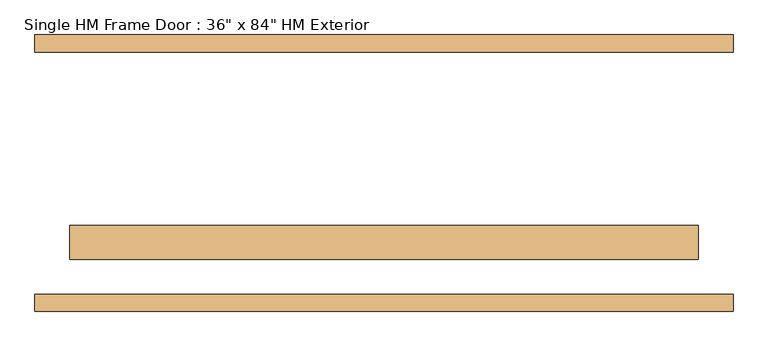
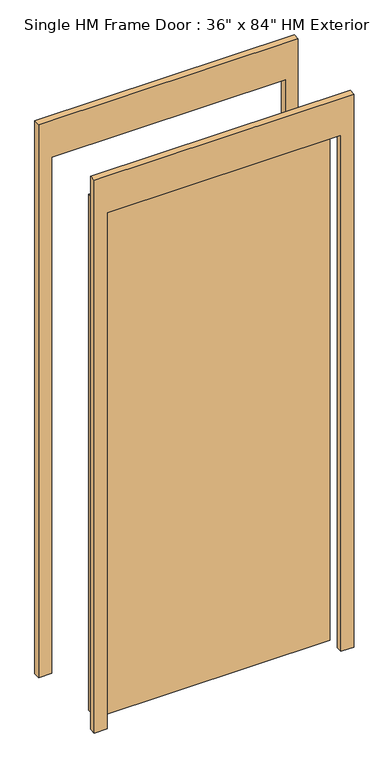
"""IFC4 building model written with IfcOpenShell, lengths in millimetres: door geometry."""

import ifcopenshell
import ifcopenshell.guid

model = None  # the IFC model being written
_history = None  # IfcOwnerHistory: only IFC2X3 demands one
_inside = {}  # id of a spatial element -> (the spatial element, [elements in it])
_under = {}  # id of a project, library or spatial element -> (it, [spatial elements below it])
_declared = {}  # id of a project -> (the project, [libraries it declares])
_typed = {}  # id of a type object -> (the type object, [elements of that type])
_made_of = {}  # id of a material, layer set ... -> (it, [elements and type objects made of it])


def new_model(schema):
    """Start an empty IFC model of exactly this schema.

    Asked for "IFC4X3", IfcOpenShell would pick the latest addendum, in which some entities
    have other attributes; the version numbers below select the first issue.
    IFC2X3 requires an IfcOwnerHistory on every rooted entity: one is made here for all.
    """
    global model, _history
    if schema == "IFC4X3":
        model = ifcopenshell.file(schema_version=(4, 3, 0, 0))
    else:
        model = ifcopenshell.file(schema=schema)
    _inside.clear()
    _under.clear()
    _declared.clear()
    _typed.clear()
    _made_of.clear()
    _history = None
    if model.schema == "IFC2X3":
        org = make("IfcOrganization", Name="unknown")
        user = make(
            "IfcPersonAndOrganization",
            ThePerson=make("IfcPerson", FamilyName="unknown"),
            TheOrganization=org,
        )
        app = make(
            "IfcApplication",
            ApplicationDeveloper=org,
            Version="unknown",
            ApplicationFullName="unknown",
            ApplicationIdentifier="unknown",
        )
        _history = make(
            "IfcOwnerHistory",
            OwningUser=user,
            OwningApplication=app,
            ChangeAction="ADDED",
            CreationDate=0,
        )
    return model


def make(cls, **values):
    """One entity of the class cls with the attributes given. An attribute that is None is left unset."""
    return model.create_entity(
        cls, **{name: value for name, value in values.items() if value is not None}
    )


def rooted(cls, **values):
    """An entity with a GlobalId (a new one), such as an element, a storey or a relation."""
    return make(cls, GlobalId=ifcopenshell.guid.new(), OwnerHistory=_history, **values)


def si_unit(unit_type, name, prefix=None):
    """IfcSIUnit, for example si_unit("LENGTHUNIT", "METRE", prefix="MILLI")."""
    return make("IfcSIUnit", UnitType=unit_type, Prefix=prefix, Name=name)


def assignment(units):
    """IfcUnitAssignment: the units of a project."""
    return None if units is None else make("IfcUnitAssignment", Units=units)


def point(xyz):
    """IfcCartesianPoint."""
    return None if xyz is None else make("IfcCartesianPoint", Coordinates=xyz)


def direction(xyz):
    """IfcDirection."""
    return None if xyz is None else make("IfcDirection", DirectionRatios=xyz)


def frame(location, z_axis=None, x_axis=None):
    """IfcAxis2Placement3D, a coordinate frame: its origin and axes. An axis left out is left unset."""
    return make(
        "IfcAxis2Placement3D",
        Location=point(location),
        Axis=direction(z_axis),
        RefDirection=direction(x_axis),
    )


def origin():
    """The frame at (0, 0, 0) with its axes left unset."""
    return frame((0.0, 0.0, 0.0))


def origin_with_axes():
    """The frame at (0, 0, 0) with the z axis (0, 0, 1) and the x axis (1, 0, 0) written out."""
    return frame((0.0, 0.0, 0.0), z_axis=(0.0, 0.0, 1.0), x_axis=(1.0, 0.0, 0.0))


def place(relative_to, where):
    """IfcLocalPlacement: puts the frame where relative to a parent placement (None: the world)."""
    return make(
        "IfcLocalPlacement", PlacementRelTo=relative_to, RelativePlacement=where
    )


def context(
    kind, dimensions, precision=None, world=None, true_north=None, identifier=None
):
    """IfcGeometricRepresentationContext, for example the 3D "Model" context."""
    return make(
        "IfcGeometricRepresentationContext",
        ContextIdentifier=identifier,
        ContextType=kind,
        CoordinateSpaceDimension=dimensions,
        Precision=precision,
        WorldCoordinateSystem=world,
        TrueNorth=true_north,
    )


def project(units=None, contexts=None):
    """IfcProject with its units and contexts."""
    return rooted(
        "IfcProject",
        Name="project",
        RepresentationContexts=contexts,
        UnitsInContext=assignment(units),
    )


def spatial(cls, under=None, at=None, **own):
    """A site, building, storey or space (cls), placed at a placement, below another one or the project."""
    s = rooted(cls, ObjectPlacement=at, **own)
    if under is not None:
        _under.setdefault(under.id(), (under, []))[1].append(s)
    return s


def polyline(points):
    """IfcPolyline through the points."""
    return make("IfcPolyline", Points=[point(p) for p in points])


def outline(outer, holes=None, kind="AREA"):
    """IfcArbitraryClosedProfileDef: a profile drawn as a closed curve; with holes, ...WithVoids."""
    if holes is None:
        return make("IfcArbitraryClosedProfileDef", ProfileType=kind, OuterCurve=outer)
    return make(
        "IfcArbitraryProfileDefWithVoids",
        ProfileType=kind,
        OuterCurve=outer,
        InnerCurves=holes,
    )


def extrude(swept, where, along, depth):
    """IfcExtrudedAreaSolid: the profile swept, set in the frame where, extruded along a direction by depth."""
    return make(
        "IfcExtrudedAreaSolid",
        SweptArea=swept,
        Position=where,
        ExtrudedDirection=direction(along),
        Depth=depth,
    )


def shape(context_of_items, identifier, shape_type, items):
    """IfcShapeRepresentation: the items that make up one representation, for example the "Body"."""
    return make(
        "IfcShapeRepresentation",
        ContextOfItems=context_of_items,
        RepresentationIdentifier=identifier,
        RepresentationType=shape_type,
        Items=items,
    )


def source(mapping_origin, context_of_items, identifier, shape_type, items):
    """IfcRepresentationMap: a shape defined once, which mapped items show again and again."""
    return make(
        "IfcRepresentationMap",
        MappingOrigin=mapping_origin,
        MappedRepresentation=shape(context_of_items, identifier, shape_type, items),
    )


def transform(
    local_origin,
    x_axis=None,
    y_axis=None,
    z_axis=None,
    scale=None,
    scale2=None,
    scale3=None,
    uniform=True,
):
    """IfcCartesianTransformationOperator3D, or its non-uniform kind. x_axis, y_axis, z_axis: its Axis1, 2, 3."""
    if uniform:
        return make(
            "IfcCartesianTransformationOperator3D",
            Axis1=direction(x_axis),
            Axis2=direction(y_axis),
            LocalOrigin=point(local_origin),
            Scale=scale,
            Axis3=direction(z_axis),
        )
    return make(
        "IfcCartesianTransformationOperator3DnonUniform",
        Axis1=direction(x_axis),
        Axis2=direction(y_axis),
        LocalOrigin=point(local_origin),
        Scale=scale,
        Axis3=direction(z_axis),
        Scale2=scale2,
        Scale3=scale3,
    )


def mapped(mapping_source, mapping_target):
    """IfcMappedItem: shows the shape of a source again, moved by a transform."""
    return make(
        "IfcMappedItem", MappingSource=mapping_source, MappingTarget=mapping_target
    )


def made_of(thing, what):
    """Note that an element or type object is made of a material, layer set ...; save() writes the relation."""
    if what is not None:
        _made_of.setdefault(what.id(), (what, []))[1].append(thing)
    return thing


def element(
    cls,
    number,
    at=None,
    inside=None,
    cuts=None,
    type_object=None,
    material=None,
    context=None,
    identifier="Body",
    shape_type=None,
    held_by="IfcProductDefinitionShape",
    body=None,
    shapes=None,
    **own,
):
    """One element of the class cls, such as IfcWall. Its Tag is "e" and its number.

    at: its placement. inside: the storey or other place that contains it. cuts: it is an
    opening in that element (IfcRelVoidsElement). A single representation is given by context,
    identifier, shape_type and body (its items); several are given by shapes. held_by: the class
    of the entity that holds the representations. save() writes the other relations.
    """
    e = rooted(cls, Tag="e%d" % number, ObjectPlacement=at, **own)
    if body is not None:
        shapes = [shape(context, identifier, shape_type, body)]
    if shapes is not None:
        e.Representation = make(held_by, Representations=shapes)
    if inside is not None:
        _inside.setdefault(inside.id(), (inside, []))[1].append(e)
    if cuts is not None:
        rooted(
            "IfcRelVoidsElement", RelatingBuildingElement=cuts, RelatedOpeningElement=e
        )
    if type_object is not None:
        _typed.setdefault(type_object.id(), (type_object, []))[1].append(e)
    return made_of(e, material)


def aggregate(whole, parts):
    """IfcRelAggregates: a whole, such as a stair, and the parts it consists of."""
    return rooted("IfcRelAggregates", RelatingObject=whole, RelatedObjects=parts)


def save(model, path):
    """Write the relations noted so far, then the file.

    IfcRelAggregates (storeys below a building ...), IfcRelContainedInSpatialStructure (elements
    in a storey), IfcRelDefinesByType, IfcRelAssociatesMaterial and IfcRelDeclares: one each for
    every whole, place, type object, material and project.
    """
    for whole, parts in _under.values():
        aggregate(whole, parts)
    for where, things in _inside.values():
        rooted(
            "IfcRelContainedInSpatialStructure",
            RelatedElements=things,
            RelatingStructure=where,
        )
    for kind, things in _typed.values():
        rooted("IfcRelDefinesByType", RelatedObjects=things, RelatingType=kind)
    for what, things in _made_of.values():
        rooted("IfcRelAssociatesMaterial", RelatedObjects=things, RelatingMaterial=what)
    for by, libraries in _declared.values():
        rooted("IfcRelDeclares", RelatingContext=by, RelatedDefinitions=libraries)
    model.write(path)


def door_2c787418(model_context):
    return source(origin(), model_context, "Body", "SweptSolid", [
        extrude(outline(polyline([(2286.0, -508.0), (0.0, -508.0), (0.0, -457.2), (2133.6, -457.2), (2133.6, 457.2), (0.0, 457.2), (0.0, 508.0), (2286.0, 508.0), (2286.0, -508.0)])), frame((0.0, -201.6125, 0.0), z_axis=(0.0, 1.0, 0.0), x_axis=(0.0, 0.0, 1.0)), (0.0, 0.0, 1.0), 25.4),
        extrude(outline(polyline([(2286.0, 508.0), (2286.0, -508.0), (0.0, -508.0), (0.0, -457.2), (2133.6, -457.2), (2133.6, 457.2), (0.0, 457.2), (0.0, 508.0), (2286.0, 508.0)])), frame((0.0, 176.2125, 0.0), z_axis=(0.0, 1.0, 0.0), x_axis=(0.0, 0.0, 1.0)), (0.0, 0.0, 1.0), 25.4),
        extrude(outline(polyline([(457.2, -76.2), (457.2, -125.4125), (-457.2, -125.4125), (-457.2, -76.2), (457.2, -76.2)])), origin_with_axes(), (0.0, 0.0, 1.0), 2133.6),
    ])


if __name__ == "__main__":
    model = new_model("IFC4")
    model_context = context("Model", 3, world=origin())
    ifc_project = project(units=[si_unit("LENGTHUNIT", "METRE", prefix="MILLI")], contexts=[model_context])
    site = spatial("IfcSite", under=ifc_project)
    building = spatial("IfcBuilding", under=site)
    placement = place(None, origin())
    door_shape = door_2c787418(model_context)
    element("IfcDoor", 1, ObjectType="Single HM Frame Door : 36\" x 84\" HM Exterior", at=placement, inside=building, context=model_context, shape_type="MappedRepresentation", body=[
        mapped(door_shape, transform((0.0, 0.0, 0.0), x_axis=(1.0, 0.0, 0.0), y_axis=(0.0, 1.0, 0.0), z_axis=(0.0, 0.0, 1.0))),
    ])
    save(model, "model.ifc")
